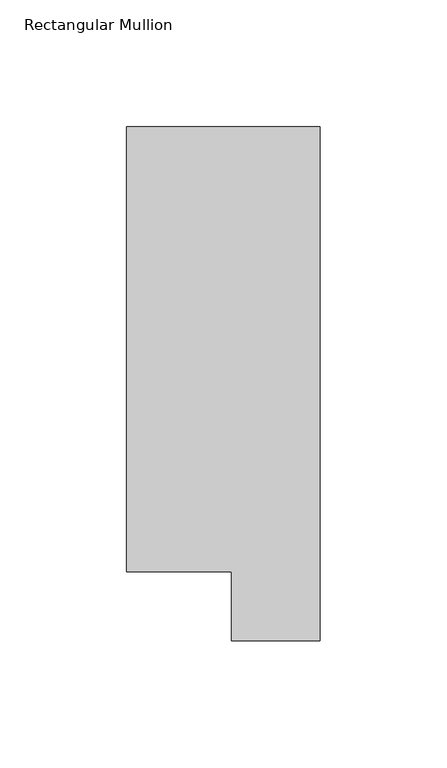
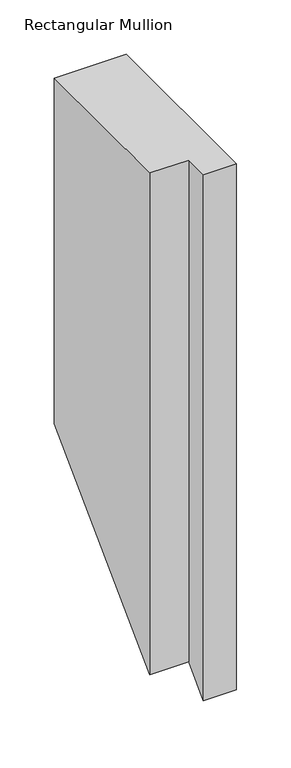
"""IFC4 building model written with IfcOpenShell, lengths in millimetres: member geometry, Rectangular Mullion."""

from ifc_helpers import new_model, si_unit, origin, place, context, project, spatial, faceted_brep, source, transform, mapped, element, save


def rectangular_mullion_6bb8c879(model_context):
    return source(origin(), model_context, "Body", "Brep", [
        faceted_brep([(0.0, 222.0301313, 0.0), (-76.2, 222.0301313, 0.0), (-76.2, 46.7447302, 0.0), (-34.9123, 46.7447302, 0.0), (-34.9123, 19.5667312, 0.0), (0.0, 19.5667312, 0.0), (0.0, 222.0301313, -387.5698688), (-76.2, 222.0301313, -387.5698688), (-76.2, 46.7447302, -562.8552698), (-34.9123, 46.7447302, -562.8552698), (-34.9123, 19.5667312, -590.0332688), (0.0, 19.5667312, -590.0332688)], [[[0, 1, 2, 3, 4, 5]], [[1, 0, 6, 7]], [[2, 1, 7, 8]], [[3, 2, 8, 9]], [[4, 3, 9, 10]], [[5, 4, 10, 11]], [[0, 5, 11, 6]], [[6, 11, 10, 9, 8, 7]]]),
    ])


if __name__ == "__main__":
    model = new_model("IFC4")
    model_context = context("Model", 3, world=origin())
    ifc_project = project(units=[si_unit("LENGTHUNIT", "METRE", prefix="MILLI")], contexts=[model_context])
    site = spatial("IfcSite", under=ifc_project)
    building = spatial("IfcBuilding", under=site)
    placement = place(None, origin())
    rectangular_mullion_shape = rectangular_mullion_6bb8c879(model_context)
    element("IfcMember", 1, ObjectType="Rectangular Mullion", at=placement, inside=building, context=model_context, shape_type="MappedRepresentation", body=[
        mapped(rectangular_mullion_shape, transform((0.0, 0.0, 0.0), x_axis=(1.0, 0.0, 0.0), y_axis=(0.0, 1.0, 0.0), z_axis=(0.0, 0.0, 1.0))),
    ])
    save(model, "model.ifc")
